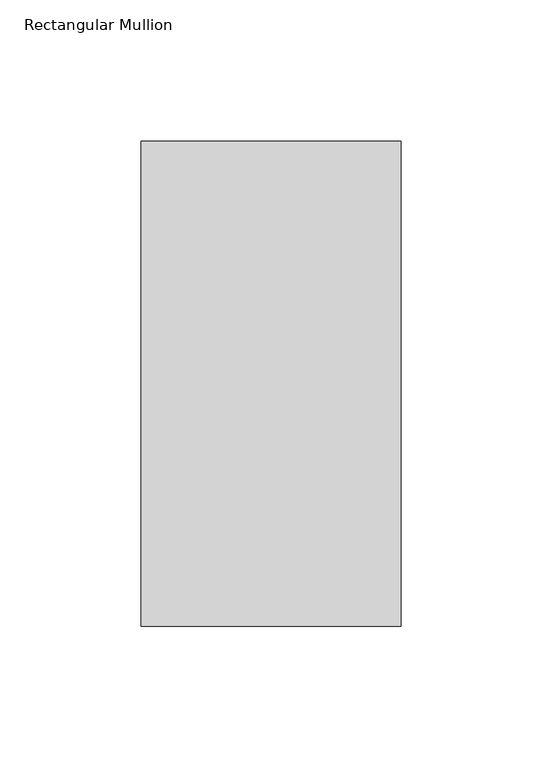
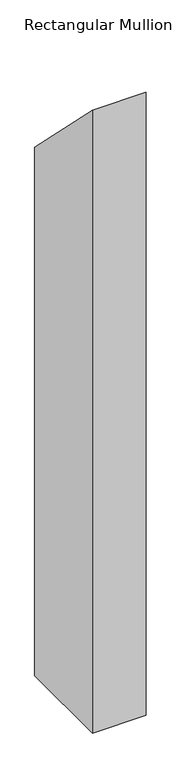
"""IFC4 building model written with IfcOpenShell, lengths in millimetres: member geometry, Rectangular Mullion."""

from ifc_helpers import new_model, si_unit, frame, origin, place, context, project, spatial, polyline, outline, extrude, source, transform, mapped, element, save


def rectangular_mullion_051a8878(model_context):
    return source(origin(), model_context, "Body", "SweptSolid", [
        extrude(outline(polyline([(50.820278, -50.820278), (222.5496791, -222.5496791), (222.5496791, -1181.4436702), (50.820278, -1181.4436702), (50.820278, -50.820278)])), frame((-92.0749999, 0.0, 0.0), z_axis=(1.0, 0.0, 0.0), x_axis=(0.0, 1.0, 0.0)), (0.0, 0.0, 1.0), 92.0749999),
    ])


if __name__ == "__main__":
    model = new_model("IFC4")
    model_context = context("Model", 3, world=origin())
    ifc_project = project(units=[si_unit("LENGTHUNIT", "METRE", prefix="MILLI")], contexts=[model_context])
    site = spatial("IfcSite", under=ifc_project)
    building = spatial("IfcBuilding", under=site)
    placement = place(None, origin())
    rectangular_mullion_shape = rectangular_mullion_051a8878(model_context)
    element("IfcMember", 1, ObjectType="Rectangular Mullion", at=placement, inside=building, context=model_context, shape_type="MappedRepresentation", body=[
        mapped(rectangular_mullion_shape, transform((0.0, 0.0, 0.0), x_axis=(1.0, 0.0, 0.0), y_axis=(0.0, 1.0, 0.0), z_axis=(0.0, 0.0, 1.0))),
    ])
    save(model, "model.ifc")
